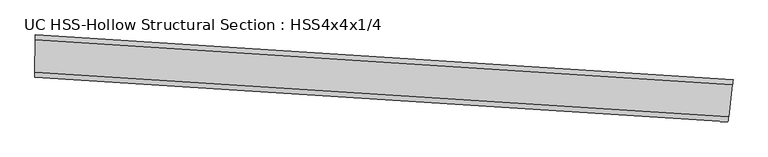
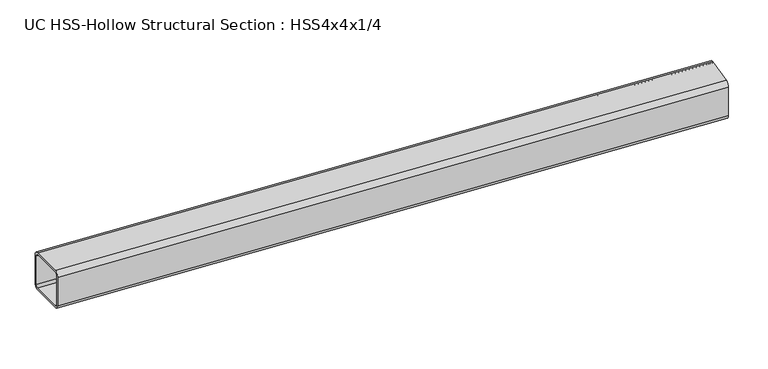
"""IFC4 building model written with IfcOpenShell, lengths in millimetres: beam geometry, UC HSS-Hollow Structural Section : HSS4x4x1/4."""

from ifc_helpers import new_model, si_unit, point, frame, origin, place, context, project, spatial, polyline, circle_curve, ellipse_curve, trimmed, source, transform, mapped, element, save
from ifc_brep_helpers import plane_surface, cylinder_surface, revolved_surface, advanced_brep


def uc_hss_hollow_structural_section_hss4x4x1_4_e86ed804(model_context):
    return source(origin(), model_context, "Body", "AdvancedBrep", [
        advanced_brep(
        [(1769.6442933, -57.3985598, 38.9636), (1768.2022954, -69.146794, 50.8), (1758.7086264, -146.4935376, 50.8), (1757.2666285, -158.2417718, 38.9636), (1757.2666285, -158.2417718, -38.9636), (1758.7086264, -146.4935376, -50.8), (1768.2022954, -69.146794, -50.8), (1769.6442933, -57.3985598, -38.9636), (1758.7086264, -146.4935376, 44.8818), (1768.2022954, -69.146794, 44.8818), (1768.9232943, -63.2726769, 38.9636), (1768.9232943, -63.2726769, -38.9636), (1768.2022954, -69.146794, -44.8818), (1758.7086264, -146.4935376, -44.8818), (1757.9876274, -152.3676547, -38.9636), (1757.9876274, -152.3676547, 38.9636), (89.6003282, 50.5236545, 38.9636), (89.6003282, 50.5236545, -38.9636), (89.5273172, 38.6874797, -50.8), (89.0466353, -39.2382378, -50.8), (88.9736243, -51.0744126, -38.9636), (88.9736243, -51.0744126, 38.9636), (89.0466353, -39.2382378, 50.8), (89.5273172, 38.6874797, 50.8), (89.0466353, -39.2382378, 44.8818), (89.0101298, -45.1563252, 38.9636), (89.0101298, -45.1563252, -38.9636), (89.0466353, -39.2382378, -44.8818), (89.5273172, 38.6874797, -44.8818), (89.5638227, 44.6055671, -38.9636), (89.5638227, 44.6055671, 38.9636), (89.5273172, 38.6874797, 44.8818)],
        [
            (0, 1, circle_curve(frame((1768.2022954, -69.146794, 38.9636), z_axis=(0.9925512995106593, -0.12182741005086334, 0.0), x_axis=(-0.12182741005086334, -0.9925512995106593, 0.0)), 11.8364)),
            (1, 2),
            (2, 3, circle_curve(frame((1758.7086264, -146.4935376, 38.9636), z_axis=(0.9925512995106595, -0.1218274100508629, 0.0), x_axis=(-0.1218274100508629, -0.9925512995106595, 0.0)), 11.8364)),
            (3, 4),
            (4, 5, circle_curve(frame((1758.7086264, -146.4935376, -38.9636), z_axis=(0.9925512995106593, -0.12182741005086334, 0.0), x_axis=(-0.12182741005086334, -0.9925512995106593, 0.0)), 11.8364)),
            (5, 6),
            (6, 7, circle_curve(frame((1768.2022954, -69.146794, -38.9636), z_axis=(0.9925512995106595, -0.1218274100508629, 0.0), x_axis=(-0.1218274100508629, -0.9925512995106595, 0.0)), 11.8364)),
            (7, 0),
            (8, 9),
            (9, 10, circle_curve(frame((1768.2022954, -69.146794, 38.9636), z_axis=(-0.9925512995106595, 0.1218274100508629, 0.0), x_axis=(-0.1218274100508629, -0.9925512995106595, 0.0)), 5.9182)),
            (10, 11),
            (11, 12, circle_curve(frame((1768.2022954, -69.146794, -38.9636), z_axis=(-0.9925512995106595, 0.1218274100508629, 0.0), x_axis=(-0.1218274100508629, -0.9925512995106595, 0.0)), 5.9182)),
            (12, 13),
            (13, 14, circle_curve(frame((1758.7086264, -146.4935376, -38.9636), z_axis=(-0.9925512995106595, 0.1218274100508629, 0.0), x_axis=(-0.1218274100508629, -0.9925512995106595, 0.0)), 5.9182)),
            (14, 15),
            (15, 8, circle_curve(frame((1758.7086264, -146.4935376, 38.9636), z_axis=(-0.9925512995106595, 0.1218274100508629, 0.0), x_axis=(-0.1218274100508629, -0.9925512995106595, 0.0)), 5.9182)),
            (16, 17),
            (17, 18, circle_curve(frame((89.5273172, 38.6874797, -38.9636), z_axis=(-0.9999809755811392, 0.006168344655830535, 0.0), x_axis=(-0.006168344655830535, -0.9999809755811392, 0.0)), 11.8364)),
            (18, 19),
            (19, 20, circle_curve(frame((89.0466353, -39.2382378, -38.9636), z_axis=(-0.9999809755811392, 0.006168344655830535, 0.0), x_axis=(-0.006168344655830535, -0.9999809755811392, 0.0)), 11.8364)),
            (20, 21),
            (21, 22, circle_curve(frame((89.0466353, -39.2382378, 38.9636), z_axis=(-0.9999809755811392, 0.006168344655830535, 0.0), x_axis=(-0.006168344655830535, -0.9999809755811392, 0.0)), 11.8364)),
            (22, 23),
            (23, 16, circle_curve(frame((89.5273172, 38.6874797, 38.9636), z_axis=(-0.9999809755811392, 0.006168344655830535, 0.0), x_axis=(-0.006168344655830535, -0.9999809755811392, 0.0)), 11.8364)),
            (24, 25, circle_curve(frame((89.0466353, -39.2382378, 38.9636), z_axis=(0.9999809755811392, -0.006168344655830535, 0.0), x_axis=(-0.006168344655830535, -0.9999809755811392, 0.0)), 5.9182)),
            (25, 26),
            (26, 27, circle_curve(frame((89.0466353, -39.2382378, -38.9636), z_axis=(0.9999809755811392, -0.006168344655830535, 0.0), x_axis=(-0.006168344655830535, -0.9999809755811392, 0.0)), 5.9182)),
            (27, 28),
            (28, 29, circle_curve(frame((89.5273172, 38.6874797, -38.9636), z_axis=(0.9999809755811392, -0.006168344655830535, 0.0), x_axis=(-0.006168344655830535, -0.9999809755811392, 0.0)), 5.9182)),
            (29, 30),
            (30, 31, circle_curve(frame((89.5273172, 38.6874797, 38.9636), z_axis=(0.9999809755811392, -0.006168344655830535, 0.0), x_axis=(-0.006168344655830535, -0.9999809755811392, 0.0)), 5.9182)),
            (31, 24),
            (0, 16, circle_curve(frame((0.0, -14475.0303741, 38.9636), z_axis=(0.0, 0.0, 1.0), x_axis=(-0.1195687675970145, -0.9928259212043827, 0.0)), 14525.8303741)),
            (23, 1, circle_curve(frame((0.0, -14475.0303741, 50.8), z_axis=(0.0, 0.0, -1.0), x_axis=(-0.1195687675970145, -0.9928259212043827, 0.0)), 14513.9939741)),
            (22, 2, circle_curve(frame((0.0, -14475.0303741, 50.8), z_axis=(0.0, 0.0, -1.0), x_axis=(-0.1195687675970145, -0.9928259212043827, 0.0)), 14436.0667741)),
            (21, 3, circle_curve(frame((0.0, -14475.0303741, 38.9636), z_axis=(0.0, 0.0, -1.0), x_axis=(-0.1195687675970145, -0.9928259212043827, 0.0)), 14424.2303741)),
            (20, 4, circle_curve(frame((0.0, -14475.0303741, -38.9636), z_axis=(0.0, 0.0, -1.0), x_axis=(-0.1195687675970145, -0.9928259212043827, 0.0)), 14424.2303741)),
            (19, 5, circle_curve(frame((0.0, -14475.0303741, -50.8), z_axis=(0.0, 0.0, -1.0), x_axis=(-0.1195687675970145, -0.9928259212043827, 0.0)), 14436.0667741)),
            (18, 6, circle_curve(frame((0.0, -14475.0303741, -50.8), z_axis=(0.0, 0.0, -1.0), x_axis=(-0.1195687675970145, -0.9928259212043827, 0.0)), 14513.9939741)),
            (17, 7, circle_curve(frame((0.0, -14475.0303741, -38.9636), z_axis=(0.0, 0.0, -1.0), x_axis=(-0.1195687675970145, -0.9928259212043827, 0.0)), 14525.8303741)),
            (8, 24, circle_curve(frame((0.0, -14475.0303741, 44.8818), z_axis=(0.0, 0.0, 1.0), x_axis=(-0.1195687675970145, -0.9928259212043827, 0.0)), 14436.0667741)),
            (31, 9, circle_curve(frame((0.0, -14475.0303741, 44.8818), z_axis=(0.0, 0.0, -1.0), x_axis=(-0.1195687675970145, -0.9928259212043827, 0.0)), 14513.9939741)),
            (30, 10, circle_curve(frame((0.0, -14475.0303741, 38.9636), z_axis=(0.0, 0.0, -1.0), x_axis=(-0.1195687675970145, -0.9928259212043827, 0.0)), 14519.9121741)),
            (29, 11, circle_curve(frame((0.0, -14475.0303741, -38.9636), z_axis=(0.0, 0.0, -1.0), x_axis=(-0.1195687675970145, -0.9928259212043827, 0.0)), 14519.9121741)),
            (28, 12, circle_curve(frame((0.0, -14475.0303741, -44.8818), z_axis=(0.0, 0.0, -1.0), x_axis=(-0.1195687675970145, -0.9928259212043827, 0.0)), 14513.9939741)),
            (27, 13, circle_curve(frame((0.0, -14475.0303741, -44.8818), z_axis=(0.0, 0.0, -1.0), x_axis=(-0.1195687675970145, -0.9928259212043827, 0.0)), 14436.0667741)),
            (26, 14, circle_curve(frame((0.0, -14475.0303741, -38.9636), z_axis=(0.0, 0.0, -1.0), x_axis=(-0.1195687675970145, -0.9928259212043827, 0.0)), 14430.1485741)),
            (25, 15, circle_curve(frame((0.0, -14475.0303741, 38.9636), z_axis=(0.0, 0.0, -1.0), x_axis=(-0.1195687675970145, -0.9928259212043827, 0.0)), 14430.1485741)),
        ],
        [
            plane_surface(frame((1763.4554609, -107.8201658, 0.0), z_axis=(0.9925512995106579, -0.12182741005087595, 0.0), x_axis=(0.0, 0.0, 1.0))),
            plane_surface(frame((89.2869763, -0.275379, 0.0), z_axis=(-0.9999809755811392, 0.006168344655837016, 0.0), x_axis=(0.0, 0.0, 1.0))),
            revolved_surface(trimmed(ellipse_curve(frame((-1735.4203724, -28884.8998119, 38.9636), z_axis=(0.9928259212043835, -0.11956876759700806, 0.0), x_axis=(0.11956876759700806, 0.9928259212043835, 0.0)), 11.8364, 11.8364), [point((-1735.4203724, -28884.8998119, 50.8))], [point((-1736.8356362, -28896.6512966, 38.9636))], True, "CARTESIAN"), (0.0, -14475.0303741, 0.0), (0.0, 0.0, -1.0)),
            plane_surface(frame((0.0, -14475.0303741, 50.8), z_axis=(0.0, 0.0, 1.0), x_axis=(-0.1195687675970145, -0.9928259212043827, 0.0))),
            revolved_surface(trimmed(ellipse_curve(frame((-1726.1027131, -28807.5316677, 38.9636), z_axis=(0.9928259212043835, -0.11956876759700806, 0.0), x_axis=(0.11956876759700806, 0.9928259212043835, 0.0)), 11.8364, 11.8364), [point((-1724.6874494, -28795.780183, 38.9636))], [point((-1726.1027131, -28807.5316677, 50.8))], True, "CARTESIAN"), (0.0, -14475.0303741, 0.0), (0.0, 0.0, -1.0)),
            revolved_surface(polyline([(-1724.6874493665603, -28795.780182930073, -38.9636), (-1724.6874493665603, -28795.780182930073, 38.9636)]), (0.0, -14475.0303741, 0.0), (0.0, 0.0, -1.0)),
            revolved_surface(trimmed(ellipse_curve(frame((-1726.1027131, -28807.5316677, -38.9636), z_axis=(0.9928259212043835, -0.11956876759700806, 0.0), x_axis=(0.11956876759700806, 0.9928259212043835, 0.0)), 11.8364, 11.8364), [point((-1726.1027131, -28807.5316677, -50.8))], [point((-1724.6874494, -28795.780183, -38.9636))], True, "CARTESIAN"), (0.0, -14475.0303741, 0.0), (0.0, 0.0, -1.0)),
            plane_surface(frame((0.0, -14475.0303741, -50.8), z_axis=(0.0, 0.0, -1.0), x_axis=(-0.1195687675970145, -0.9928259212043827, 0.0))),
            revolved_surface(trimmed(ellipse_curve(frame((-1735.4203724, -28884.8998119, -38.9636), z_axis=(0.9928259212043835, -0.11956876759700806, 0.0), x_axis=(0.11956876759700806, 0.9928259212043835, 0.0)), 11.8364, 11.8364), [point((-1736.8356362, -28896.6512966, -38.9636))], [point((-1735.4203724, -28884.8998119, -50.8))], True, "CARTESIAN"), (0.0, -14475.0303741, 0.0), (0.0, 0.0, -1.0)),
            cylinder_surface(frame((0.0, -14475.0303741, 0.0), z_axis=(0.0, 0.0, -1.0), x_axis=(-0.1195687675970145, -0.9928259212043827, 0.0)), 14525.8303741),
            plane_surface(frame((0.0, -14475.0303741, 44.8818), z_axis=(0.0, 0.0, -1.0), x_axis=(-0.1195687675970145, -0.9928259212043827, 0.0))),
            revolved_surface(trimmed(ellipse_curve(frame((-1735.4203724, -28884.8998119, 38.9636), z_axis=(-0.9928259212043835, 0.11956876759700806, 0.0), x_axis=(0.11956876759700806, 0.9928259212043835, 0.0)), 5.9182, 5.9182), [point((-1736.1280043, -28890.7755542, 38.9636))], [point((-1735.4203724, -28884.8998119, 44.8818))], True, "CARTESIAN"), (0.0, -14475.0303741, 0.0), (0.0, 0.0, -1.0)),
            revolved_surface(polyline([(-1736.1280042740245, -28890.775554157564, -38.9636), (-1736.1280042740245, -28890.775554157564, 38.9636)]), (0.0, -14475.0303741, 0.0), (0.0, 0.0, -1.0)),
            revolved_surface(trimmed(ellipse_curve(frame((-1735.4203724, -28884.8998119, -38.9636), z_axis=(-0.9928259212043835, 0.11956876759700806, 0.0), x_axis=(0.11956876759700806, 0.9928259212043835, 0.0)), 5.9182, 5.9182), [point((-1735.4203724, -28884.8998119, -44.8818))], [point((-1736.1280043, -28890.7755542, -38.9636))], True, "CARTESIAN"), (0.0, -14475.0303741, 0.0), (0.0, 0.0, -1.0)),
            plane_surface(frame((0.0, -14475.0303741, -44.8818), z_axis=(0.0, 0.0, 1.0), x_axis=(-0.1195687675970145, -0.9928259212043827, 0.0))),
            revolved_surface(trimmed(ellipse_curve(frame((-1726.1027131, -28807.5316677, -38.9636), z_axis=(-0.9928259212043835, 0.11956876759700806, 0.0), x_axis=(0.11956876759700806, 0.9928259212043835, 0.0)), 5.9182, 5.9182), [point((-1725.3950813, -28801.6559254, -38.9636))], [point((-1726.1027131, -28807.5316677, -44.8818))], True, "CARTESIAN"), (0.0, -14475.0303741, 0.0), (0.0, 0.0, -1.0)),
            cylinder_surface(frame((0.0, -14475.0303741, 0.0), z_axis=(0.0, 0.0, -1.0), x_axis=(-0.1195687675970145, -0.9928259212043827, 0.0)), 14430.1485741),
            revolved_surface(trimmed(ellipse_curve(frame((-1726.1027131, -28807.5316677, 38.9636), z_axis=(-0.9928259212043835, 0.11956876759700806, 0.0), x_axis=(0.11956876759700806, 0.9928259212043835, 0.0)), 5.9182, 5.9182), [point((-1726.1027131, -28807.5316677, 44.8818))], [point((-1725.3950813, -28801.6559254, 38.9636))], True, "CARTESIAN"), (0.0, -14475.0303741, 0.0), (0.0, 0.0, -1.0)),
        ],
        [
            (0, [[1, 2, 3, 4, 5, 6, 7, 8], [9, 10, 11, 12, 13, 14, 15, 16]]),
            (1, [[17, 18, 19, 20, 21, 22, 23, 24], [25, 26, 27, 28, 29, 30, 31, 32]]),
            (2, [[-1, 33, -24, 34]]),
            (3, [[-2, -34, -23, 35]]),
            (4, [[-3, -35, -22, 36]]),
            (5, [[-4, -36, -21, 37]]),
            (6, [[-5, -37, -20, 38]]),
            (7, [[-6, -38, -19, 39]]),
            (8, [[-7, -39, -18, 40]]),
            (9, [[-8, -40, -17, -33]]),
            (10, [[-9, 41, -32, 42]]),
            (11, [[-10, -42, -31, 43]]),
            (12, [[-11, -43, -30, 44]]),
            (13, [[-12, -44, -29, 45]]),
            (14, [[-13, -45, -28, 46]]),
            (15, [[-14, -46, -27, 47]]),
            (16, [[-15, -47, -26, 48]]),
            (17, [[-16, -48, -25, -41]]),
        ],
    ),
    ])


if __name__ == "__main__":
    model = new_model("IFC4")
    model_context = context("Model", 3, world=origin())
    ifc_project = project(units=[si_unit("LENGTHUNIT", "METRE", prefix="MILLI")], contexts=[model_context])
    site = spatial("IfcSite", under=ifc_project)
    building = spatial("IfcBuilding", under=site)
    placement = place(None, origin())
    uc_hss_hollow_structural_section_hss4x4x1_4_shape = uc_hss_hollow_structural_section_hss4x4x1_4_e86ed804(model_context)
    element("IfcBeam", 1, ObjectType="UC HSS-Hollow Structural Section : HSS4x4x1/4", at=placement, inside=building, context=model_context, shape_type="MappedRepresentation", body=[
        mapped(uc_hss_hollow_structural_section_hss4x4x1_4_shape, transform((0.0, 0.0, 0.0), x_axis=(1.0, 0.0, 0.0), y_axis=(0.0, 1.0, 0.0), z_axis=(0.0, 0.0, 1.0))),
    ])
    save(model, "model.ifc")
